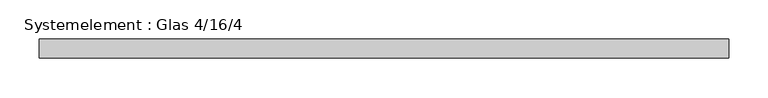
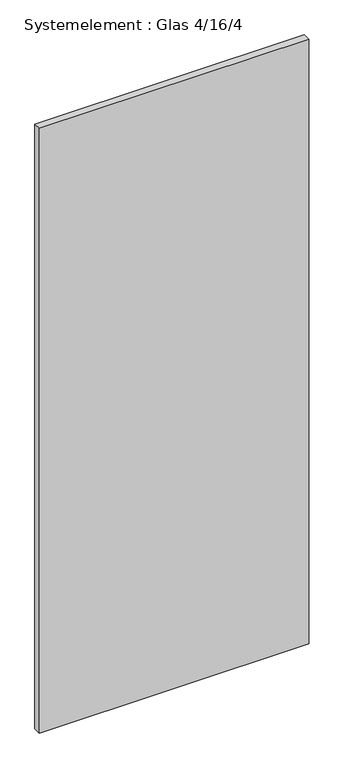
"""IFC4 building model written with IfcOpenShell, lengths in millimetres: plate geometry, Systemelement : Glas 4/16/4."""

from ifc_helpers import new_model, si_unit, origin, origin_with_axes, place, context, project, spatial, polyline, outline, extrude, source, transform, mapped, element, save


def systemelement_glas_4_16_4_49cf85f4(model_context):
    return source(origin(), model_context, "Body", "SweptSolid", [
        extrude(outline(polyline([(436.2500001, -12.0), (-436.2500001, -12.0), (-436.2500001, 12.0), (436.2500001, 12.0), (436.2500001, -12.0)])), origin_with_axes(), (0.0, 0.0, 1.0), 2070.0),
    ])


if __name__ == "__main__":
    model = new_model("IFC4")
    model_context = context("Model", 3, world=origin())
    ifc_project = project(units=[si_unit("LENGTHUNIT", "METRE", prefix="MILLI")], contexts=[model_context])
    site = spatial("IfcSite", under=ifc_project)
    building = spatial("IfcBuilding", under=site)
    placement = place(None, origin())
    systemelement_glas_4_16_4_shape = systemelement_glas_4_16_4_49cf85f4(model_context)
    element("IfcPlate", 1, ObjectType="Systemelement : Glas 4/16/4", at=placement, inside=building, context=model_context, shape_type="MappedRepresentation", body=[
        mapped(systemelement_glas_4_16_4_shape, transform((0.0, 0.0, 0.0), x_axis=(1.0, 0.0, 0.0), y_axis=(0.0, 1.0, 0.0), z_axis=(0.0, 0.0, 1.0))),
    ])
    save(model, "model.ifc")
